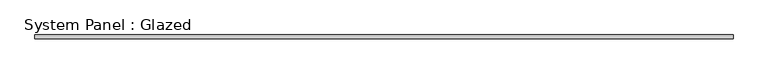
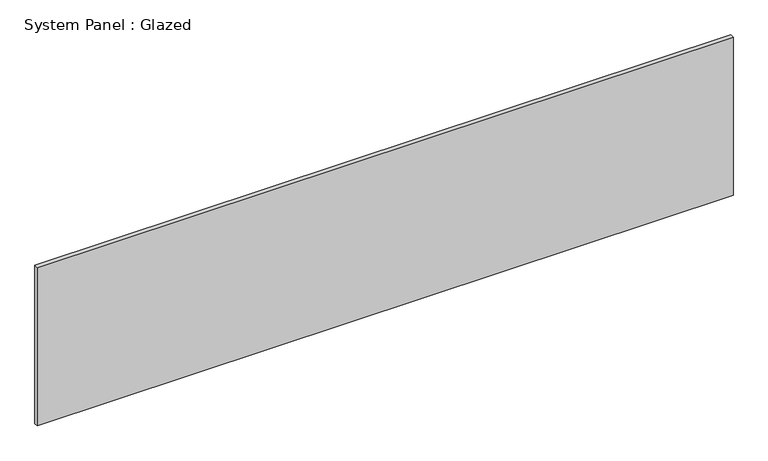
"""IFC4 building model written with IfcOpenShell, lengths in millimetres: plate geometry, System Panel : Glazed."""

from ifc_helpers import new_model, si_unit, origin, origin_with_axes, place, context, project, spatial, polyline, outline, extrude, source, transform, mapped, element, save


def system_panel_glazed_bf523a63(model_context):
    return source(origin(), model_context, "Body", "SweptSolid", [
        extrude(outline(polyline([(2339.6172358, 19.05), (-2339.6172358, 19.05), (-2339.6172358, 44.45), (2339.6172358, 44.45), (2339.6172358, 19.05)])), origin_with_axes(), (0.0, 0.0, 1.0), 1123.95),
    ])


if __name__ == "__main__":
    model = new_model("IFC4")
    model_context = context("Model", 3, world=origin())
    ifc_project = project(units=[si_unit("LENGTHUNIT", "METRE", prefix="MILLI")], contexts=[model_context])
    site = spatial("IfcSite", under=ifc_project)
    building = spatial("IfcBuilding", under=site)
    placement = place(None, origin())
    system_panel_glazed_shape = system_panel_glazed_bf523a63(model_context)
    element("IfcPlate", 1, ObjectType="System Panel : Glazed", at=placement, inside=building, context=model_context, shape_type="MappedRepresentation", body=[
        mapped(system_panel_glazed_shape, transform((0.0, 0.0, 0.0), x_axis=(1.0, 0.0, 0.0), y_axis=(0.0, 1.0, 0.0), z_axis=(0.0, 0.0, 1.0))),
    ])
    save(model, "model.ifc")
